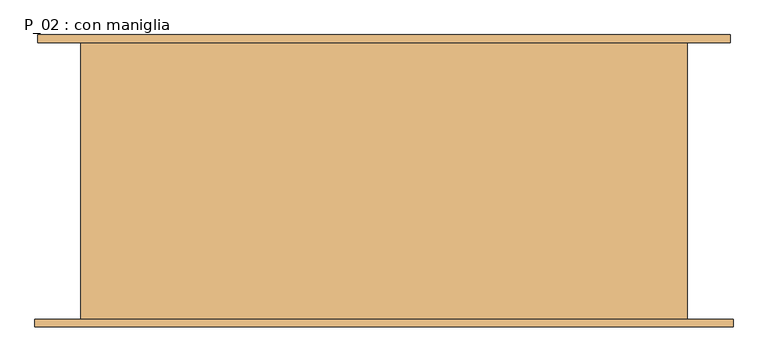
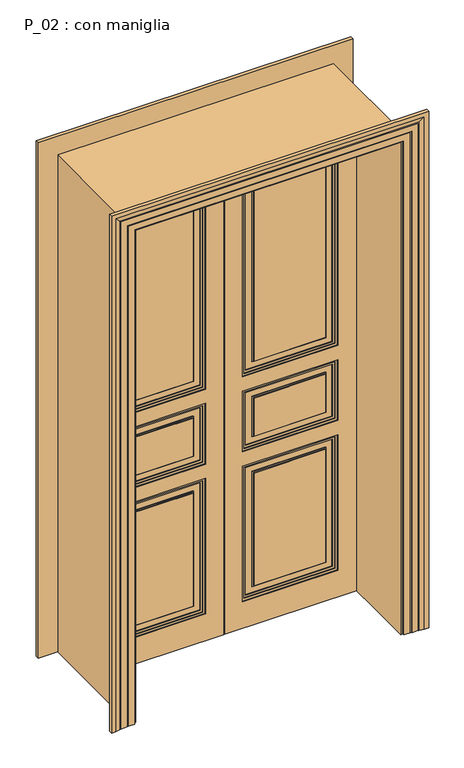
"""IFC4 building model written with IfcOpenShell, lengths in millimetres: door geometry, P_02 : con maniglia."""

from ifc_helpers import new_model, si_unit, frame, origin, origin_with_axes, place, context, project, spatial, polyline, outline, extrude, faceted_brep, source, transform, mapped, element, save


def p_02_con_maniglia_97f57514(model_context):
    return source(origin(), model_context, "Body", "SolidModel", [
        extrude(outline(polyline([(0.0, -615.0), (0.0, -610.0), (2395.0, -610.0), (2395.0, -2.5), (2400.0, -2.5), (2400.0, -615.0), (0.0, -615.0)])), frame((0.0, 85.0, 0.0), z_axis=(0.0, 1.0, 0.0), x_axis=(0.0, 0.0, 1.0)), (0.0, 0.0, 1.0), 5.0),
        extrude(outline(polyline([(0.0, 610.0), (0.0, 615.0), (2400.0, 615.0), (2400.0, 2.5), (2395.0, 2.5), (2395.0, 610.0), (0.0, 610.0)])), frame((0.0, 85.0, 0.0), z_axis=(0.0, 1.0, 0.0), x_axis=(0.0, 0.0, 1.0)), (0.0, 0.0, 1.0), 5.0),
        extrude(outline(polyline([(2.5, 97.0), (20.0, 97.0), (20.0, 90.0), (2.5, 90.0), (2.5, 97.0)])), frame((0.0, 0.0, 2395.0), z_axis=(0.0, 0.0, 1.0), x_axis=(1.0, 0.0, 0.0)), (0.0, 0.0, 1.0), 5.0),
        extrude(outline(polyline([(-2.5, 97.0), (-2.5, 90.0), (-20.0, 90.0), (-20.0, 97.0), (-2.5, 97.0)])), frame((0.0, 0.0, 2395.0), z_axis=(0.0, 0.0, 1.0), x_axis=(1.0, 0.0, 0.0)), (0.0, 0.0, 1.0), 5.0),
        extrude(outline(polyline([(2.5, 97.0), (20.0, 97.0), (20.0, 90.0), (2.5, 90.0), (2.5, 97.0)])), frame((0.0, 0.0, 2395.0), z_axis=(0.0, 0.0, 1.0), x_axis=(1.0, 0.0, 0.0)), (0.0, 0.0, 1.0), 5.0),
        extrude(outline(polyline([(-2.5, 97.0), (-2.5, 90.0), (-20.0, 90.0), (-20.0, 97.0), (-2.5, 97.0)])), frame((0.0, 0.0, 2395.0), z_axis=(0.0, 0.0, 1.0), x_axis=(1.0, 0.0, 0.0)), (0.0, 0.0, 1.0), 5.0),
        extrude(outline(polyline([(15.0, 97.0), (-15.0, 97.0), (-15.0, 107.0), (15.0, 107.0), (15.0, 97.0)])), origin_with_axes(), (0.0, 0.0, 1.0), 2400.0),
        extrude(outline(polyline([(20.0, 97.0), (15.0, 97.0), (15.0, 102.0), (20.0, 102.0), (20.0, 97.0)])), origin_with_axes(), (0.0, 0.0, 1.0), 2400.0),
        extrude(outline(polyline([(-15.0, 97.0), (-20.0, 97.0), (-20.0, 102.0), (-15.0, 102.0), (-15.0, 97.0)])), origin_with_axes(), (0.0, 0.0, 1.0), 2400.0),
        extrude(outline(polyline([(-470.0, 75.0), (-140.0, 75.0), (-140.0, 67.0), (-470.0, 67.0), (-470.0, 75.0)])), frame((0.0, 0.0, 185.0), z_axis=(0.0, 0.0, 1.0), x_axis=(1.0, 0.0, 0.0)), (0.0, 0.0, 1.0), 550.0),
        extrude(outline(polyline([(-470.0, 75.0), (-140.0, 75.0), (-140.0, 67.0), (-470.0, 67.0), (-470.0, 75.0)])), frame((0.0, 0.0, 915.0), z_axis=(0.0, 0.0, 1.0), x_axis=(1.0, 0.0, 0.0)), (0.0, 0.0, 1.0), 185.0),
        extrude(outline(polyline([(-470.0, 75.0), (-140.0, 75.0), (-140.0, 67.0), (-470.0, 67.0), (-470.0, 75.0)])), frame((0.0, 0.0, 1280.0), z_axis=(0.0, 0.0, 1.0), x_axis=(1.0, 0.0, 0.0)), (0.0, 0.0, 1.0), 975.0),
        extrude(outline(polyline([(2300.0, -95.0), (2300.0, -515.0), (1235.0, -515.0), (1235.0, -95.0), (2300.0, -95.0)]), holes=[polyline([(2290.0, -105.0), (1245.0, -105.0), (1245.0, -505.0), (2290.0, -505.0), (2290.0, -105.0)])]), frame((0.0, 71.0, 0.0), z_axis=(0.0, 1.0, 0.0), x_axis=(0.0, 0.0, 1.0)), (0.0, 0.0, 1.0), 4.0),
        extrude(outline(polyline([(780.0, -95.0), (780.0, -515.0), (140.0, -515.0), (140.0, -95.0), (780.0, -95.0)]), holes=[polyline([(770.0, -105.0), (150.0, -105.0), (150.0, -505.0), (770.0, -505.0), (770.0, -105.0)])]), frame((0.0, 71.0, 0.0), z_axis=(0.0, 1.0, 0.0), x_axis=(0.0, 0.0, 1.0)), (0.0, 0.0, 1.0), 4.0),
        extrude(outline(polyline([(740.0, -135.0), (740.0, -475.0), (180.0, -475.0), (180.0, -135.0), (740.0, -135.0)]), holes=[polyline([(735.0, -140.0), (185.0, -140.0), (185.0, -470.0), (735.0, -470.0), (735.0, -140.0)])]), frame((0.0, 71.0, 0.0), z_axis=(0.0, 1.0, 0.0), x_axis=(0.0, 0.0, 1.0)), (0.0, 0.0, 1.0), 4.0),
        extrude(outline(polyline([(1145.0, -95.0), (1145.0, -515.0), (870.0, -515.0), (870.0, -95.0), (1145.0, -95.0)]), holes=[polyline([(1135.0, -105.0), (880.0, -105.0), (880.0, -505.0), (1135.0, -505.0), (1135.0, -105.0)])]), frame((0.0, 71.0, 0.0), z_axis=(0.0, 1.0, 0.0), x_axis=(0.0, 0.0, 1.0)), (0.0, 0.0, 1.0), 4.0),
        extrude(outline(polyline([(1105.0, -135.0), (1105.0, -475.0), (910.0, -475.0), (910.0, -135.0), (1105.0, -135.0)]), holes=[polyline([(1100.0, -140.0), (915.0, -140.0), (915.0, -470.0), (1100.0, -470.0), (1100.0, -140.0)])]), frame((0.0, 71.0, 0.0), z_axis=(0.0, 1.0, 0.0), x_axis=(0.0, 0.0, 1.0)), (0.0, 0.0, 1.0), 4.0),
        extrude(outline(polyline([(2260.0, -135.0), (2260.0, -475.0), (1275.0, -475.0), (1275.0, -135.0), (2260.0, -135.0)]), holes=[polyline([(2255.0, -140.0), (1280.0, -140.0), (1280.0, -470.0), (2255.0, -470.0), (2255.0, -140.0)])]), frame((0.0, 71.0, 0.0), z_axis=(0.0, 1.0, 0.0), x_axis=(0.0, 0.0, 1.0)), (0.0, 0.0, 1.0), 4.0),
        extrude(outline(polyline([(1225.0, -85.0), (2310.0, -85.0), (2310.0, -525.0), (1225.0, -525.0), (1225.0, -85.0)]), holes=[polyline([(2300.0, -95.0), (1235.0, -95.0), (1235.0, -515.0), (2300.0, -515.0), (2300.0, -95.0)])]), frame((0.0, 67.0, 0.0), z_axis=(0.0, 1.0, 0.0), x_axis=(0.0, 0.0, 1.0)), (0.0, 0.0, 1.0), 8.0),
        extrude(outline(polyline([(130.0, -525.0), (130.0, -85.0), (790.0, -85.0), (790.0, -525.0), (130.0, -525.0)]), holes=[polyline([(780.0, -95.0), (140.0, -95.0), (140.0, -515.0), (780.0, -515.0), (780.0, -95.0)])]), frame((0.0, 67.0, 0.0), z_axis=(0.0, 1.0, 0.0), x_axis=(0.0, 0.0, 1.0)), (0.0, 0.0, 1.0), 8.0),
        extrude(outline(polyline([(1155.0, -85.0), (1155.0, -525.0), (860.0, -525.0), (860.0, -85.0), (1155.0, -85.0)]), holes=[polyline([(870.0, -95.0), (870.0, -515.0), (1145.0, -515.0), (1145.0, -95.0), (870.0, -95.0)])]), frame((0.0, 67.0, 0.0), z_axis=(0.0, 1.0, 0.0), x_axis=(0.0, 0.0, 1.0)), (0.0, 0.0, 1.0), 8.0),
        extrude(outline(polyline([(0.0, -610.0), (0.0, -2.5), (2395.0, -2.5), (2395.0, -610.0), (0.0, -610.0)]), holes=[polyline([(1225.0, -85.0), (1225.0, -525.0), (2310.0, -525.0), (2310.0, -85.0), (1225.0, -85.0)]), polyline([(130.0, -85.0), (130.0, -525.0), (790.0, -525.0), (790.0, -85.0), (130.0, -85.0)]), polyline([(1155.0, -525.0), (1155.0, -85.0), (860.0, -85.0), (860.0, -525.0), (1155.0, -525.0)])]), frame((0.0, 63.0, 0.0), z_axis=(0.0, 1.0, 0.0), x_axis=(0.0, 0.0, 1.0)), (0.0, 0.0, 1.0), 12.0),
        extrude(outline(polyline([(140.0, 75.0), (470.0, 75.0), (470.0, 67.0), (140.0, 67.0), (140.0, 75.0)])), frame((0.0, 0.0, 185.0), z_axis=(0.0, 0.0, 1.0), x_axis=(1.0, 0.0, 0.0)), (0.0, 0.0, 1.0), 550.0),
        extrude(outline(polyline([(140.0, 75.0), (470.0, 75.0), (470.0, 67.0), (140.0, 67.0), (140.0, 75.0)])), frame((0.0, 0.0, 915.0), z_axis=(0.0, 0.0, 1.0), x_axis=(1.0, 0.0, 0.0)), (0.0, 0.0, 1.0), 185.0),
        extrude(outline(polyline([(140.0, 75.0), (470.0, 75.0), (470.0, 67.0), (140.0, 67.0), (140.0, 75.0)])), frame((0.0, 0.0, 1280.0), z_axis=(0.0, 0.0, 1.0), x_axis=(1.0, 0.0, 0.0)), (0.0, 0.0, 1.0), 975.0),
        extrude(outline(polyline([(2300.0, 95.0), (1235.0, 95.0), (1235.0, 515.0), (2300.0, 515.0), (2300.0, 95.0)]), holes=[polyline([(2290.0, 105.0), (2290.0, 505.0), (1245.0, 505.0), (1245.0, 105.0), (2290.0, 105.0)])]), frame((0.0, 71.0, 0.0), z_axis=(0.0, 1.0, 0.0), x_axis=(0.0, 0.0, 1.0)), (0.0, 0.0, 1.0), 4.0),
        extrude(outline(polyline([(780.0, 95.0), (140.0, 95.0), (140.0, 515.0), (780.0, 515.0), (780.0, 95.0)]), holes=[polyline([(770.0, 105.0), (770.0, 505.0), (150.0, 505.0), (150.0, 105.0), (770.0, 105.0)])]), frame((0.0, 71.0, 0.0), z_axis=(0.0, 1.0, 0.0), x_axis=(0.0, 0.0, 1.0)), (0.0, 0.0, 1.0), 4.0),
        extrude(outline(polyline([(740.0, 135.0), (180.0, 135.0), (180.0, 475.0), (740.0, 475.0), (740.0, 135.0)]), holes=[polyline([(735.0, 140.0), (735.0, 470.0), (185.0, 470.0), (185.0, 140.0), (735.0, 140.0)])]), frame((0.0, 71.0, 0.0), z_axis=(0.0, 1.0, 0.0), x_axis=(0.0, 0.0, 1.0)), (0.0, 0.0, 1.0), 4.0),
        extrude(outline(polyline([(1145.0, 95.0), (870.0, 95.0), (870.0, 515.0), (1145.0, 515.0), (1145.0, 95.0)]), holes=[polyline([(1135.0, 105.0), (1135.0, 505.0), (880.0, 505.0), (880.0, 105.0), (1135.0, 105.0)])]), frame((0.0, 71.0, 0.0), z_axis=(0.0, 1.0, 0.0), x_axis=(0.0, 0.0, 1.0)), (0.0, 0.0, 1.0), 4.0),
        extrude(outline(polyline([(1105.0, 135.0), (910.0, 135.0), (910.0, 475.0), (1105.0, 475.0), (1105.0, 135.0)]), holes=[polyline([(1100.0, 140.0), (1100.0, 470.0), (915.0, 470.0), (915.0, 140.0), (1100.0, 140.0)])]), frame((0.0, 71.0, 0.0), z_axis=(0.0, 1.0, 0.0), x_axis=(0.0, 0.0, 1.0)), (0.0, 0.0, 1.0), 4.0),
        extrude(outline(polyline([(2260.0, 135.0), (1275.0, 135.0), (1275.0, 475.0), (2260.0, 475.0), (2260.0, 135.0)]), holes=[polyline([(2255.0, 140.0), (2255.0, 470.0), (1280.0, 470.0), (1280.0, 140.0), (2255.0, 140.0)])]), frame((0.0, 71.0, 0.0), z_axis=(0.0, 1.0, 0.0), x_axis=(0.0, 0.0, 1.0)), (0.0, 0.0, 1.0), 4.0),
        extrude(outline(polyline([(1225.0, 85.0), (1225.0, 525.0), (2310.0, 525.0), (2310.0, 85.0), (1225.0, 85.0)]), holes=[polyline([(2300.0, 95.0), (2300.0, 515.0), (1235.0, 515.0), (1235.0, 95.0), (2300.0, 95.0)])]), frame((0.0, 67.0, 0.0), z_axis=(0.0, 1.0, 0.0), x_axis=(0.0, 0.0, 1.0)), (0.0, 0.0, 1.0), 8.0),
        extrude(outline(polyline([(130.0, 525.0), (790.0, 525.0), (790.0, 85.0), (130.0, 85.0), (130.0, 525.0)]), holes=[polyline([(780.0, 95.0), (780.0, 515.0), (140.0, 515.0), (140.0, 95.0), (780.0, 95.0)])]), frame((0.0, 67.0, 0.0), z_axis=(0.0, 1.0, 0.0), x_axis=(0.0, 0.0, 1.0)), (0.0, 0.0, 1.0), 8.0),
        extrude(outline(polyline([(1155.0, 85.0), (860.0, 85.0), (860.0, 525.0), (1155.0, 525.0), (1155.0, 85.0)]), holes=[polyline([(870.0, 95.0), (1145.0, 95.0), (1145.0, 515.0), (870.0, 515.0), (870.0, 95.0)])]), frame((0.0, 67.0, 0.0), z_axis=(0.0, 1.0, 0.0), x_axis=(0.0, 0.0, 1.0)), (0.0, 0.0, 1.0), 8.0),
        extrude(outline(polyline([(0.0, 610.0), (2395.0, 610.0), (2395.0, 2.5), (0.0, 2.5), (0.0, 610.0)]), holes=[polyline([(1225.0, 85.0), (2310.0, 85.0), (2310.0, 525.0), (1225.0, 525.0), (1225.0, 85.0)]), polyline([(130.0, 85.0), (790.0, 85.0), (790.0, 525.0), (130.0, 525.0), (130.0, 85.0)]), polyline([(1155.0, 525.0), (860.0, 525.0), (860.0, 85.0), (1155.0, 85.0), (1155.0, 525.0)])]), frame((0.0, 63.0, 0.0), z_axis=(0.0, 1.0, 0.0), x_axis=(0.0, 0.0, 1.0)), (0.0, 0.0, 1.0), 12.0),
        extrude(outline(polyline([(-140.0, 85.0), (-470.0, 85.0), (-470.0, 93.0), (-140.0, 93.0), (-140.0, 85.0)])), frame((0.0, 0.0, 185.0), z_axis=(0.0, 0.0, 1.0), x_axis=(1.0, 0.0, 0.0)), (0.0, 0.0, 1.0), 550.0),
        extrude(outline(polyline([(-140.0, 85.0), (-470.0, 85.0), (-470.0, 93.0), (-140.0, 93.0), (-140.0, 85.0)])), frame((0.0, 0.0, 915.0), z_axis=(0.0, 0.0, 1.0), x_axis=(1.0, 0.0, 0.0)), (0.0, 0.0, 1.0), 185.0),
        extrude(outline(polyline([(-140.0, 85.0), (-470.0, 85.0), (-470.0, 93.0), (-140.0, 93.0), (-140.0, 85.0)])), frame((0.0, 0.0, 1280.0), z_axis=(0.0, 0.0, 1.0), x_axis=(1.0, 0.0, 0.0)), (0.0, 0.0, 1.0), 975.0),
        extrude(outline(polyline([(2300.0, -95.0), (2300.0, -515.0), (1235.0, -515.0), (1235.0, -95.0), (2300.0, -95.0)]), holes=[polyline([(2290.0, -105.0), (1245.0, -105.0), (1245.0, -505.0), (2290.0, -505.0), (2290.0, -105.0)])]), frame((0.0, 85.0, 0.0), z_axis=(0.0, 1.0, 0.0), x_axis=(0.0, 0.0, 1.0)), (0.0, 0.0, 1.0), 4.0),
        extrude(outline(polyline([(780.0, -95.0), (780.0, -515.0), (140.0, -515.0), (140.0, -95.0), (780.0, -95.0)]), holes=[polyline([(770.0, -105.0), (150.0, -105.0), (150.0, -505.0), (770.0, -505.0), (770.0, -105.0)])]), frame((0.0, 85.0, 0.0), z_axis=(0.0, 1.0, 0.0), x_axis=(0.0, 0.0, 1.0)), (0.0, 0.0, 1.0), 4.0),
        extrude(outline(polyline([(740.0, -135.0), (740.0, -475.0), (180.0, -475.0), (180.0, -135.0), (740.0, -135.0)]), holes=[polyline([(735.0, -140.0), (185.0, -140.0), (185.0, -470.0), (735.0, -470.0), (735.0, -140.0)])]), frame((0.0, 85.0, 0.0), z_axis=(0.0, 1.0, 0.0), x_axis=(0.0, 0.0, 1.0)), (0.0, 0.0, 1.0), 4.0),
        extrude(outline(polyline([(1145.0, -95.0), (1145.0, -515.0), (870.0, -515.0), (870.0, -95.0), (1145.0, -95.0)]), holes=[polyline([(1135.0, -105.0), (880.0, -105.0), (880.0, -505.0), (1135.0, -505.0), (1135.0, -105.0)])]), frame((0.0, 85.0, 0.0), z_axis=(0.0, 1.0, 0.0), x_axis=(0.0, 0.0, 1.0)), (0.0, 0.0, 1.0), 4.0),
        extrude(outline(polyline([(1105.0, -135.0), (1105.0, -475.0), (910.0, -475.0), (910.0, -135.0), (1105.0, -135.0)]), holes=[polyline([(1100.0, -140.0), (915.0, -140.0), (915.0, -470.0), (1100.0, -470.0), (1100.0, -140.0)])]), frame((0.0, 85.0, 0.0), z_axis=(0.0, 1.0, 0.0), x_axis=(0.0, 0.0, 1.0)), (0.0, 0.0, 1.0), 4.0),
        extrude(outline(polyline([(2260.0, -135.0), (2260.0, -475.0), (1275.0, -475.0), (1275.0, -135.0), (2260.0, -135.0)]), holes=[polyline([(2255.0, -140.0), (1280.0, -140.0), (1280.0, -470.0), (2255.0, -470.0), (2255.0, -140.0)])]), frame((0.0, 85.0, 0.0), z_axis=(0.0, 1.0, 0.0), x_axis=(0.0, 0.0, 1.0)), (0.0, 0.0, 1.0), 4.0),
        extrude(outline(polyline([(1225.0, -85.0), (2310.0, -85.0), (2310.0, -525.0), (1225.0, -525.0), (1225.0, -85.0)]), holes=[polyline([(2300.0, -95.0), (1235.0, -95.0), (1235.0, -515.0), (2300.0, -515.0), (2300.0, -95.0)])]), frame((0.0, 85.0, 0.0), z_axis=(0.0, 1.0, 0.0), x_axis=(0.0, 0.0, 1.0)), (0.0, 0.0, 1.0), 8.0),
        extrude(outline(polyline([(130.0, -525.0), (130.0, -85.0), (790.0, -85.0), (790.0, -525.0), (130.0, -525.0)]), holes=[polyline([(780.0, -95.0), (140.0, -95.0), (140.0, -515.0), (780.0, -515.0), (780.0, -95.0)])]), frame((0.0, 85.0, 0.0), z_axis=(0.0, 1.0, 0.0), x_axis=(0.0, 0.0, 1.0)), (0.0, 0.0, 1.0), 8.0),
        extrude(outline(polyline([(1155.0, -85.0), (1155.0, -525.0), (860.0, -525.0), (860.0, -85.0), (1155.0, -85.0)]), holes=[polyline([(870.0, -95.0), (870.0, -515.0), (1145.0, -515.0), (1145.0, -95.0), (870.0, -95.0)])]), frame((0.0, 85.0, 0.0), z_axis=(0.0, 1.0, 0.0), x_axis=(0.0, 0.0, 1.0)), (0.0, 0.0, 1.0), 8.0),
        extrude(outline(polyline([(0.0, -610.0), (0.0, -2.5), (2395.0, -2.5), (2395.0, -610.0), (0.0, -610.0)]), holes=[polyline([(1225.0, -85.0), (1225.0, -525.0), (2310.0, -525.0), (2310.0, -85.0), (1225.0, -85.0)]), polyline([(130.0, -85.0), (130.0, -525.0), (790.0, -525.0), (790.0, -85.0), (130.0, -85.0)]), polyline([(1155.0, -525.0), (1155.0, -85.0), (860.0, -85.0), (860.0, -525.0), (1155.0, -525.0)])]), frame((0.0, 85.0, 0.0), z_axis=(0.0, 1.0, 0.0), x_axis=(0.0, 0.0, 1.0)), (0.0, 0.0, 1.0), 12.0),
        extrude(outline(polyline([(0.0, -615.0), (0.0, -610.0), (2395.0, -610.0), (2395.0, -2.5), (2400.0, -2.5), (2400.0, -615.0), (0.0, -615.0)])), frame((0.0, 85.0, 0.0), z_axis=(0.0, 1.0, 0.0), x_axis=(0.0, 0.0, 1.0)), (0.0, 0.0, 1.0), 5.0),
        extrude(outline(polyline([(-2.5, 75.0), (-615.0, 75.0), (-615.0, 85.0), (-2.5, 85.0), (-2.5, 75.0)])), origin_with_axes(), (0.0, 0.0, 1.0), 2400.0),
        extrude(outline(polyline([(615.0, 75.0), (2.5, 75.0), (2.5, 85.0), (615.0, 85.0), (615.0, 75.0)])), origin_with_axes(), (0.0, 0.0, 1.0), 2400.0),
        extrude(outline(polyline([(470.0, 85.0), (140.0, 85.0), (140.0, 93.0), (470.0, 93.0), (470.0, 85.0)])), frame((0.0, 0.0, 185.0), z_axis=(0.0, 0.0, 1.0), x_axis=(1.0, 0.0, 0.0)), (0.0, 0.0, 1.0), 550.0),
        extrude(outline(polyline([(470.0, 85.0), (140.0, 85.0), (140.0, 93.0), (470.0, 93.0), (470.0, 85.0)])), frame((0.0, 0.0, 915.0), z_axis=(0.0, 0.0, 1.0), x_axis=(1.0, 0.0, 0.0)), (0.0, 0.0, 1.0), 185.0),
        extrude(outline(polyline([(470.0, 85.0), (140.0, 85.0), (140.0, 93.0), (470.0, 93.0), (470.0, 85.0)])), frame((0.0, 0.0, 1280.0), z_axis=(0.0, 0.0, 1.0), x_axis=(1.0, 0.0, 0.0)), (0.0, 0.0, 1.0), 975.0),
        extrude(outline(polyline([(2300.0, 95.0), (1235.0, 95.0), (1235.0, 515.0), (2300.0, 515.0), (2300.0, 95.0)]), holes=[polyline([(2290.0, 105.0), (2290.0, 505.0), (1245.0, 505.0), (1245.0, 105.0), (2290.0, 105.0)])]), frame((0.0, 85.0, 0.0), z_axis=(0.0, 1.0, 0.0), x_axis=(0.0, 0.0, 1.0)), (0.0, 0.0, 1.0), 4.0),
        extrude(outline(polyline([(780.0, 95.0), (140.0, 95.0), (140.0, 515.0), (780.0, 515.0), (780.0, 95.0)]), holes=[polyline([(770.0, 105.0), (770.0, 505.0), (150.0, 505.0), (150.0, 105.0), (770.0, 105.0)])]), frame((0.0, 85.0, 0.0), z_axis=(0.0, 1.0, 0.0), x_axis=(0.0, 0.0, 1.0)), (0.0, 0.0, 1.0), 4.0),
        extrude(outline(polyline([(740.0, 135.0), (180.0, 135.0), (180.0, 475.0), (740.0, 475.0), (740.0, 135.0)]), holes=[polyline([(735.0, 140.0), (735.0, 470.0), (185.0, 470.0), (185.0, 140.0), (735.0, 140.0)])]), frame((0.0, 85.0, 0.0), z_axis=(0.0, 1.0, 0.0), x_axis=(0.0, 0.0, 1.0)), (0.0, 0.0, 1.0), 4.0),
        extrude(outline(polyline([(1145.0, 95.0), (870.0, 95.0), (870.0, 515.0), (1145.0, 515.0), (1145.0, 95.0)]), holes=[polyline([(1135.0, 105.0), (1135.0, 505.0), (880.0, 505.0), (880.0, 105.0), (1135.0, 105.0)])]), frame((0.0, 85.0, 0.0), z_axis=(0.0, 1.0, 0.0), x_axis=(0.0, 0.0, 1.0)), (0.0, 0.0, 1.0), 4.0),
        extrude(outline(polyline([(1105.0, 135.0), (910.0, 135.0), (910.0, 475.0), (1105.0, 475.0), (1105.0, 135.0)]), holes=[polyline([(1100.0, 140.0), (1100.0, 470.0), (915.0, 470.0), (915.0, 140.0), (1100.0, 140.0)])]), frame((0.0, 85.0, 0.0), z_axis=(0.0, 1.0, 0.0), x_axis=(0.0, 0.0, 1.0)), (0.0, 0.0, 1.0), 4.0),
        extrude(outline(polyline([(2260.0, 135.0), (1275.0, 135.0), (1275.0, 475.0), (2260.0, 475.0), (2260.0, 135.0)]), holes=[polyline([(2255.0, 140.0), (2255.0, 470.0), (1280.0, 470.0), (1280.0, 140.0), (2255.0, 140.0)])]), frame((0.0, 85.0, 0.0), z_axis=(0.0, 1.0, 0.0), x_axis=(0.0, 0.0, 1.0)), (0.0, 0.0, 1.0), 4.0),
        extrude(outline(polyline([(1225.0, 85.0), (1225.0, 525.0), (2310.0, 525.0), (2310.0, 85.0), (1225.0, 85.0)]), holes=[polyline([(2300.0, 95.0), (2300.0, 515.0), (1235.0, 515.0), (1235.0, 95.0), (2300.0, 95.0)])]), frame((0.0, 85.0, 0.0), z_axis=(0.0, 1.0, 0.0), x_axis=(0.0, 0.0, 1.0)), (0.0, 0.0, 1.0), 8.0),
        extrude(outline(polyline([(130.0, 525.0), (790.0, 525.0), (790.0, 85.0), (130.0, 85.0), (130.0, 525.0)]), holes=[polyline([(780.0, 95.0), (780.0, 515.0), (140.0, 515.0), (140.0, 95.0), (780.0, 95.0)])]), frame((0.0, 85.0, 0.0), z_axis=(0.0, 1.0, 0.0), x_axis=(0.0, 0.0, 1.0)), (0.0, 0.0, 1.0), 8.0),
        extrude(outline(polyline([(1155.0, 85.0), (860.0, 85.0), (860.0, 525.0), (1155.0, 525.0), (1155.0, 85.0)]), holes=[polyline([(870.0, 95.0), (1145.0, 95.0), (1145.0, 515.0), (870.0, 515.0), (870.0, 95.0)])]), frame((0.0, 85.0, 0.0), z_axis=(0.0, 1.0, 0.0), x_axis=(0.0, 0.0, 1.0)), (0.0, 0.0, 1.0), 8.0),
        extrude(outline(polyline([(0.0, 610.0), (2395.0, 610.0), (2395.0, 2.5), (0.0, 2.5), (0.0, 610.0)]), holes=[polyline([(1225.0, 85.0), (2310.0, 85.0), (2310.0, 525.0), (1225.0, 525.0), (1225.0, 85.0)]), polyline([(130.0, 85.0), (790.0, 85.0), (790.0, 525.0), (130.0, 525.0), (130.0, 85.0)]), polyline([(1155.0, 525.0), (860.0, 525.0), (860.0, 85.0), (1155.0, 85.0), (1155.0, 525.0)])]), frame((0.0, 85.0, 0.0), z_axis=(0.0, 1.0, 0.0), x_axis=(0.0, 0.0, 1.0)), (0.0, 0.0, 1.0), 12.0),
        extrude(outline(polyline([(0.0, 610.0), (0.0, 615.0), (2400.0, 615.0), (2400.0, 2.5), (2395.0, 2.5), (2395.0, 610.0), (0.0, 610.0)])), frame((0.0, 85.0, 0.0), z_axis=(0.0, 1.0, 0.0), x_axis=(0.0, 0.0, 1.0)), (0.0, 0.0, 1.0), 5.0),
        faceted_brep([(725.0, 290.0, 0.0), (635.0, 290.0, 0.0), (635.0, -290.0, 0.0), (731.0, -290.0, 0.0), (731.0, -306.0, 0.0), (711.0, -306.0, 0.0), (691.0, -302.0291126, 0.0), (691.0, -301.0291126, 0.0), (686.0, -301.0291126, 0.0), (686.0, -300.0291126, 0.0), (656.0, -300.0291126, 0.0), (656.0, -299.0291126, 0.0), (651.0, -299.0291126, 0.0), (651.0, -298.0291126, 0.0), (621.0, -298.0291126, 0.0), (621.0, -290.0, 0.0), (611.0, -290.0, 0.0), (611.0, 290.0, 0.0), (621.0, 290.0, 0.0), (621.0, 298.0291126, 0.0), (651.0, 298.0291126, 0.0), (651.0, 299.0291126, 0.0), (656.0, 299.0291126, 0.0), (656.0, 300.0291126, 0.0), (680.0, 300.0291126, 0.0), (680.0, 301.0291126, 0.0), (685.0, 301.0291126, 0.0), (685.0, 302.0291126, 0.0), (705.0, 306.0, 0.0), (725.0, 306.0, 0.0), (725.0, 290.0, 2510.0), (-725.0, 290.0, 2510.0), (-725.0, 290.0, 0.0), (-635.0, 290.0, 0.0), (-635.0, 290.0, 2420.0), (635.0, 290.0, 2420.0), (635.0, -290.0, 2420.0), (-635.0, -290.0, 2420.0), (-635.0, -290.0, 0.0), (-731.0, -290.0, 0.0), (-731.0, -290.0, 2516.0), (731.0, -290.0, 2516.0), (731.0, -306.0, 2516.0), (-731.0, -306.0, 2516.0), (-731.0, -306.0, 0.0), (-711.0, -306.0, 0.0), (-711.0, -306.0, 2496.0), (711.0, -306.0, 2496.0), (691.0, -302.0291126, 2476.0), (691.0, -301.0291126, 2476.0), (-691.0, -301.0291126, 2476.0), (-691.0, -301.0291126, 0.0), (-686.0, -301.0291126, 0.0), (-686.0, -301.0291126, 2471.0), (686.0, -301.0291126, 2471.0), (686.0, -300.0291126, 2471.0), (-686.0, -300.0291126, 2471.0), (-686.0, -300.0291126, 0.0), (-656.0, -300.0291126, 0.0), (-656.0, -300.0291126, 2441.0), (656.0, -300.0291126, 2441.0), (656.0, -299.0291126, 2441.0), (-656.0, -299.0291126, 2441.0), (-656.0, -299.0291126, 0.0), (-651.0, -299.0291126, 0.0), (-651.0, -299.0291126, 2436.0), (651.0, -299.0291126, 2436.0), (651.0, -298.0291126, 2436.0), (-651.0, -298.0291126, 2436.0), (-651.0, -298.0291126, 0.0), (-621.0, -298.0291126, 0.0), (-621.0, -298.0291126, 2406.0), (621.0, -298.0291126, 2406.0), (621.0, -290.0, 2406.0), (-621.0, -290.0, 2406.0), (-621.0, -290.0, 0.0), (-611.0, -290.0, 0.0), (-611.0, -290.0, 2396.0), (611.0, -290.0, 2396.0), (611.0, 290.0, 2396.0), (-611.0, 290.0, 2396.0), (-611.0, 290.0, 0.0), (-621.0, 290.0, 0.0), (-621.0, 290.0, 2406.0), (621.0, 290.0, 2406.0), (621.0, 298.0291126, 2406.0), (-621.0, 298.0291126, 2406.0), (-621.0, 298.0291126, 0.0), (-651.0, 298.0291126, 0.0), (-651.0, 298.0291126, 2436.0), (651.0, 298.0291126, 2436.0), (651.0, 299.0291126, 2436.0), (-651.0, 299.0291126, 2436.0), (-651.0, 299.0291126, 0.0), (-656.0, 299.0291126, 0.0), (-656.0, 299.0291126, 2441.0), (656.0, 299.0291126, 2441.0), (656.0, 300.0291126, 2441.0), (-656.0, 300.0291126, 2441.0), (-656.0, 300.0291126, 0.0), (-680.0, 300.0291126, 0.0), (-680.0, 300.0291126, 2465.0), (680.0, 300.0291126, 2465.0), (680.0, 301.0291126, 2465.0), (-680.0, 301.0291126, 2465.0), (-680.0, 301.0291126, 0.0), (-685.0, 301.0291126, 0.0), (-685.0, 301.0291126, 2470.0), (685.0, 301.0291126, 2470.0), (685.0, 302.0291126, 2470.0), (705.0, 306.0, 2490.0), (-705.0, 306.0, 2490.0), (-705.0, 306.0, 0.0), (-725.0, 306.0, 0.0), (-725.0, 306.0, 2510.0), (725.0, 306.0, 2510.0), (-685.0, 302.0291126, 0.0), (-691.0, -302.0291126, 0.0), (-685.0, 302.0291126, 2470.0), (-691.0, -302.0291126, 2476.0)], [[[0, 1, 2, 3, 4, 5, 6, 7, 8, 9, 10, 11, 12, 13, 14, 15, 16, 17, 18, 19, 20, 21, 22, 23, 24, 25, 26, 27, 28, 29]], [[1, 0, 30, 31, 32, 33, 34, 35]], [[2, 1, 35, 36]], [[3, 2, 36, 37, 38, 39, 40, 41]], [[4, 3, 41, 42]], [[5, 4, 42, 43, 44, 45, 46, 47]], [[6, 5, 47, 48]], [[7, 6, 48, 49]], [[8, 7, 49, 50, 51, 52, 53, 54]], [[9, 8, 54, 55]], [[10, 9, 55, 56, 57, 58, 59, 60]], [[11, 10, 60, 61]], [[12, 11, 61, 62, 63, 64, 65, 66]], [[13, 12, 66, 67]], [[14, 13, 67, 68, 69, 70, 71, 72]], [[15, 14, 72, 73]], [[16, 15, 73, 74, 75, 76, 77, 78]], [[17, 16, 78, 79]], [[18, 17, 79, 80, 81, 82, 83, 84]], [[19, 18, 84, 85]], [[20, 19, 85, 86, 87, 88, 89, 90]], [[21, 20, 90, 91]], [[22, 21, 91, 92, 93, 94, 95, 96]], [[23, 22, 96, 97]], [[24, 23, 97, 98, 99, 100, 101, 102]], [[25, 24, 102, 103]], [[26, 25, 103, 104, 105, 106, 107, 108]], [[27, 26, 108, 109]], [[28, 27, 109, 110]], [[29, 28, 110, 111, 112, 113, 114, 115]], [[0, 29, 115, 30]], [[31, 114, 113, 32]], [[32, 113, 112, 116, 106, 105, 100, 99, 94, 93, 88, 87, 82, 81, 76, 75, 70, 69, 64, 63, 58, 57, 52, 51, 117, 45, 44, 39, 38, 33]], [[37, 34, 33, 38]], [[74, 71, 70, 75]], [[80, 77, 76, 81]], [[86, 83, 82, 87]], [[111, 118, 116, 112]], [[118, 107, 106, 116]], [[104, 101, 100, 105]], [[98, 95, 94, 99]], [[92, 89, 88, 93]], [[68, 65, 64, 69]], [[62, 59, 58, 63]], [[56, 53, 52, 57]], [[50, 119, 117, 51]], [[119, 46, 45, 117]], [[43, 40, 39, 44]], [[30, 115, 114, 31]], [[36, 35, 34, 37]], [[73, 72, 71, 74]], [[79, 78, 77, 80]], [[85, 84, 83, 86]], [[91, 90, 89, 92]], [[97, 96, 95, 98]], [[103, 102, 101, 104]], [[109, 108, 107, 118]], [[110, 109, 118, 111]], [[42, 41, 40, 43]], [[48, 47, 46, 119]], [[49, 48, 119, 50]], [[55, 54, 53, 56]], [[61, 60, 59, 62]], [[67, 66, 65, 68]]]),
    ])


if __name__ == "__main__":
    model = new_model("IFC4")
    model_context = context("Model", 3, world=origin())
    ifc_project = project(units=[si_unit("LENGTHUNIT", "METRE", prefix="MILLI")], contexts=[model_context])
    site = spatial("IfcSite", under=ifc_project)
    building = spatial("IfcBuilding", under=site)
    placement = place(None, origin())
    p_02_con_maniglia_shape = p_02_con_maniglia_97f57514(model_context)
    element("IfcDoor", 1, ObjectType="P_02 : con maniglia", at=placement, inside=building, context=model_context, shape_type="MappedRepresentation", body=[
        mapped(p_02_con_maniglia_shape, transform((0.0, 0.0, 0.0), x_axis=(1.0, 0.0, 0.0), y_axis=(0.0, 1.0, 0.0), z_axis=(0.0, 0.0, 1.0))),
    ])
    save(model, "model.ifc")
